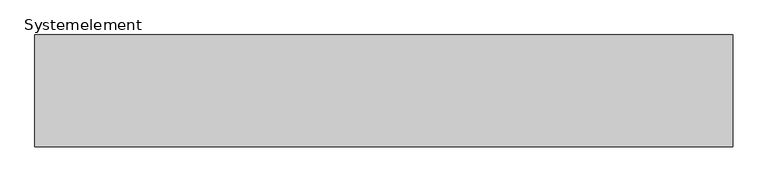
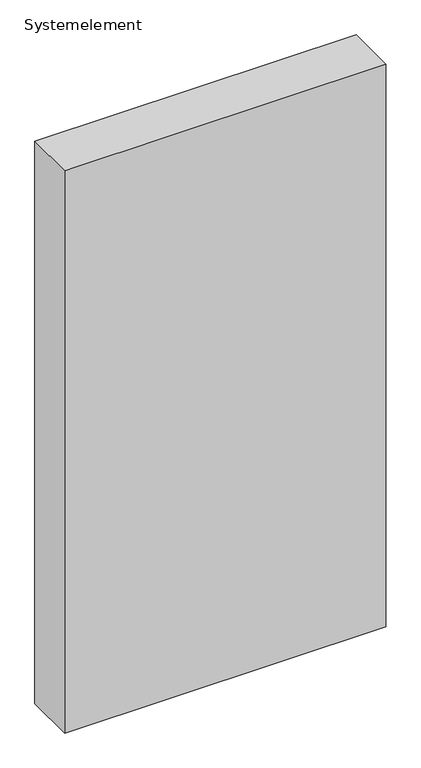
"""IFC4 building model written with IfcOpenShell, lengths in millimetres: plate geometry, Systemelement."""

from ifc_helpers import new_model, si_unit, origin, origin_with_axes, place, context, project, spatial, polyline, outline, extrude, source, transform, mapped, element, save


def systemelement_1bb1df99(model_context):
    return source(origin(), model_context, "Body", "SweptSolid", [
        extrude(outline(polyline([(500.0, -160.0), (-500.0, -160.0), (-500.0, 0.0), (500.0, 0.0), (500.0, -160.0)])), origin_with_axes(), (0.0, 0.0, 1.0), 1851.6147161),
    ])


if __name__ == "__main__":
    model = new_model("IFC4")
    model_context = context("Model", 3, world=origin())
    ifc_project = project(units=[si_unit("LENGTHUNIT", "METRE", prefix="MILLI")], contexts=[model_context])
    site = spatial("IfcSite", under=ifc_project)
    building = spatial("IfcBuilding", under=site)
    placement = place(None, origin())
    systemelement_shape = systemelement_1bb1df99(model_context)
    element("IfcPlate", 1, ObjectType="Systemelement", at=placement, inside=building, context=model_context, shape_type="MappedRepresentation", body=[
        mapped(systemelement_shape, transform((0.0, 0.0, 0.0), x_axis=(1.0, 0.0, 0.0), y_axis=(0.0, 1.0, 0.0), z_axis=(0.0, 0.0, 1.0))),
    ])
    save(model, "model.ifc")
